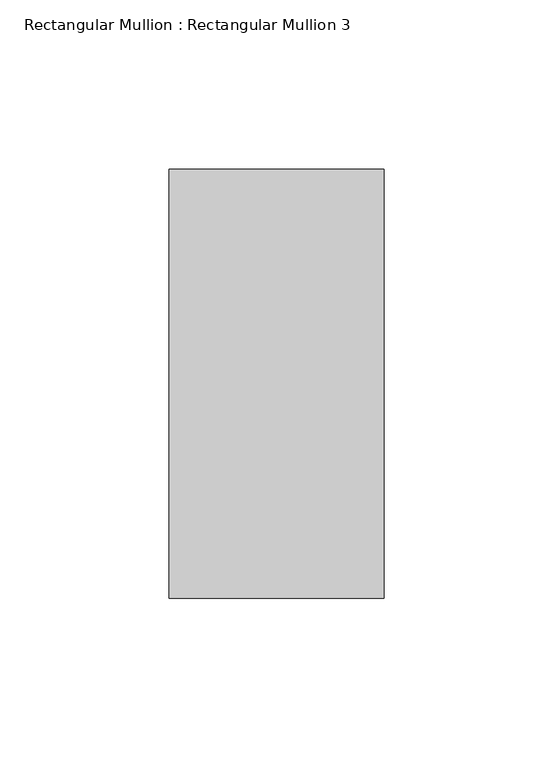
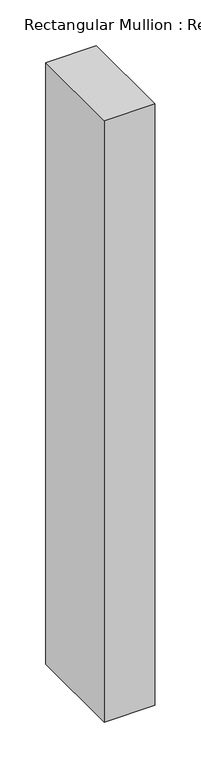
"""IFC4 building model written with IfcOpenShell, lengths in millimetres: member geometry, Rectangular Mullion : Rectangular Mullion 3."""

from ifc_helpers import new_model, si_unit, frame, origin, place, context, project, spatial, polyline, outline, extrude, source, transform, mapped, element, save


def rectangular_mullion_rectangular_mullion_3_0af95d9a(model_context):
    return source(origin(), model_context, "Body", "SweptSolid", [
        extrude(outline(polyline([(63.6, 188.5), (63.6, 61.5), (0.0, 61.5), (0.0, 188.5), (63.6, 188.5)])), frame((0.0, 0.0, -800.0), z_axis=(0.0, 0.0, 1.0), x_axis=(1.0, 0.0, 0.0)), (0.0, 0.0, 1.0), 800.0),
    ])


if __name__ == "__main__":
    model = new_model("IFC4")
    model_context = context("Model", 3, world=origin())
    ifc_project = project(units=[si_unit("LENGTHUNIT", "METRE", prefix="MILLI")], contexts=[model_context])
    site = spatial("IfcSite", under=ifc_project)
    building = spatial("IfcBuilding", under=site)
    placement = place(None, origin())
    rectangular_mullion_rectangular_mullion_3_shape = rectangular_mullion_rectangular_mullion_3_0af95d9a(model_context)
    element("IfcMember", 1, ObjectType="Rectangular Mullion : Rectangular Mullion 3", at=placement, inside=building, context=model_context, shape_type="MappedRepresentation", body=[
        mapped(rectangular_mullion_rectangular_mullion_3_shape, transform((0.0, 0.0, 0.0), x_axis=(1.0, 0.0, 0.0), y_axis=(0.0, 1.0, 0.0), z_axis=(0.0, 0.0, 1.0))),
    ])
    save(model, "model.ifc")
